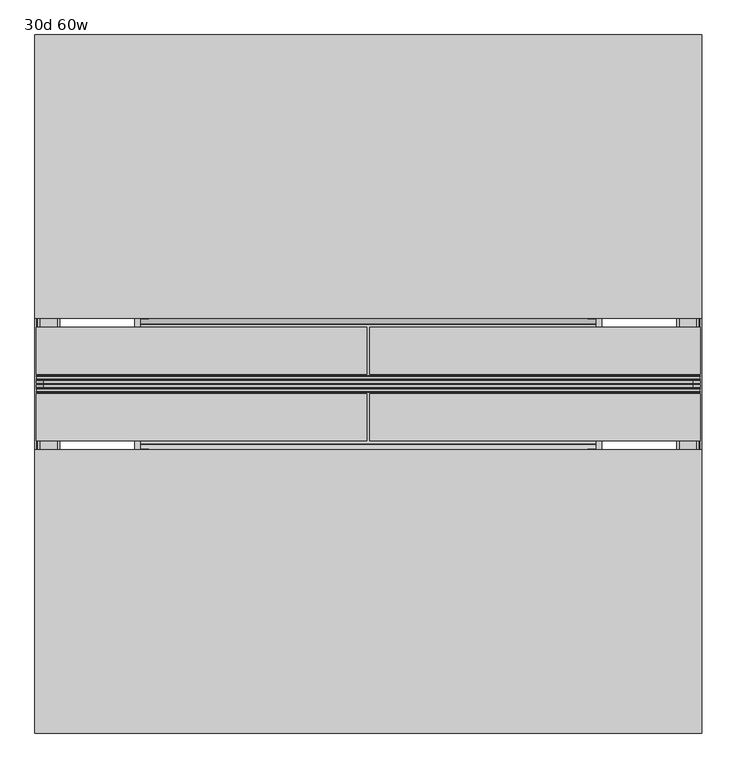
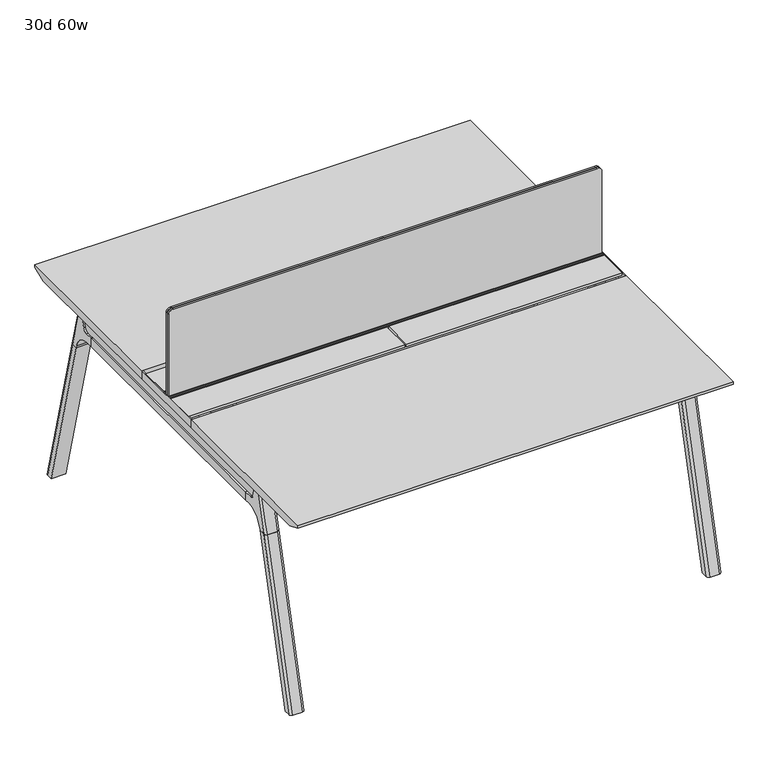
"""IFC4 building model written with IfcOpenShell, lengths in millimetres: furniture geometry, 30d 60w."""

from ifc_helpers import new_model, si_unit, point, frame, frame_2d, origin, place, context, project, spatial, polyline, circle_curve, ellipse_curve, trimmed, segment, composite_curve, outline, extrude, source, transform, mapped, element, save
from ifc_brep_helpers import plane_surface, cylinder_surface, revolved_surface, advanced_brep


def furniture_30d_60w_2d3f256a(model_context):
    return source(origin(), model_context, "Body", "SolidModel", [
        extrude(outline(composite_curve([segment(polyline([(1054.89375, 955.675), (1054.89375, -523.875)]), True, "CONTINUOUS"), segment(trimmed(circle_curve(frame_2d((1039.01875, -523.875)), 15.875), [point((1054.89375, -523.875))], [point((1039.01875, -539.75))], False, "CARTESIAN"), True, "CONTINUOUS"), segment(polyline([(1039.01875, -539.75), (720.725, -539.75), (720.725, 971.55), (1039.01875, 971.55)]), True, "CONTINUOUS"), segment(trimmed(circle_curve(frame_2d((1039.01875, 955.675)), 15.875), [point((1039.01875, 971.55))], [point((1054.89375, 955.675))], False, "CARTESIAN"), True, "CONTINUOUS")], self_intersect=False)), frame((0.0, -201.3409766, 0.0), z_axis=(0.0, 1.0, 0.0), x_axis=(0.0, 0.0, 1.0)), (0.0, 0.0, 1.0), 3.175),
        extrude(outline(composite_curve([segment(polyline([(1058.06875, 958.85), (1058.06875, -527.05)]), True, "CONTINUOUS"), segment(trimmed(circle_curve(frame_2d((1042.19375, -527.05)), 15.875), [point((1058.06875, -527.05))], [point((1042.19375, -542.925))], False, "CARTESIAN"), True, "CONTINUOUS"), segment(polyline([(1042.19375, -542.925), (717.55, -542.925), (717.55, 974.725), (1042.19375, 974.725)]), True, "CONTINUOUS"), segment(trimmed(circle_curve(frame_2d((1042.19375, 958.85)), 15.875), [point((1042.19375, 974.725))], [point((1058.06875, 958.85))], False, "CARTESIAN"), True, "CONTINUOUS")], self_intersect=False)), frame((0.0, -198.1659766, 0.0), z_axis=(0.0, 1.0, 0.0), x_axis=(0.0, 0.0, 1.0)), (0.0, 0.0, 1.0), 5.55625),
        extrude(outline(composite_curve([segment(polyline([(1058.06875, 958.85), (1058.06875, -527.05)]), True, "CONTINUOUS"), segment(trimmed(circle_curve(frame_2d((1042.19375, -527.05)), 15.875), [point((1058.06875, -527.05))], [point((1042.19375, -542.925))], False, "CARTESIAN"), True, "CONTINUOUS"), segment(polyline([(1042.19375, -542.925), (717.55, -542.925), (717.55, 974.725), (1042.19375, 974.725)]), True, "CONTINUOUS"), segment(trimmed(circle_curve(frame_2d((1042.19375, 958.85)), 15.875), [point((1042.19375, 974.725))], [point((1058.06875, 958.85))], False, "CARTESIAN"), True, "CONTINUOUS")], self_intersect=False)), frame((0.0, -206.8972266, 0.0), z_axis=(0.0, 1.0, 0.0), x_axis=(0.0, 0.0, 1.0)), (0.0, 0.0, 1.0), 5.55625),
        extrude(outline(polyline([(-348.9784469, 559.4636683), (-364.040663, 627.7843353), (-35.4662901, 627.7843353), (-50.5285062, 559.4636683), (-46.7502281, 557.2647146), (-46.7502281, 549.3667827), (-62.6252238, 521.8704736), (-336.8817293, 521.8704736), (-352.756725, 549.3667827), (-352.756725, 557.2647146), (-348.9784469, 559.4636683)])), frame((736.6, 0.0, 0.0), z_axis=(1.0, 0.0, 0.0), x_axis=(0.0, 1.0, 0.0)), (0.0, 0.0, 1.0), 12.7),
        extrude(outline(polyline([(-348.9784469, 559.4636683), (-364.040663, 627.7843353), (-35.4662901, 627.7843353), (-50.5285062, 559.4636683), (-46.7502281, 557.2647146), (-46.7502281, 549.3667827), (-62.6252238, 521.8704736), (-336.8817293, 521.8704736), (-352.756725, 549.3667827), (-352.756725, 557.2647146), (-348.9784469, 559.4636683)])), frame((-317.5, 0.0, 0.0), z_axis=(1.0, 0.0, 0.0), x_axis=(0.0, 1.0, 0.0)), (0.0, 0.0, 1.0), 12.7),
        extrude(outline(polyline([(-18.0090763, 698.5), (3.7767266, 698.5), (3.7767266, 697.2935087), (-17.4495292, 697.2935087), (-19.0070753, 695.7359626), (-49.1186716, 559.1528512), (-50.5285062, 559.4636683), (-20.404074, 696.1050023), (-18.0090763, 698.5)])), frame((-317.5, 0.0, 0.0), z_axis=(1.0, 0.0, 0.0), x_axis=(0.0, 1.0, 0.0)), (0.0, 0.0, 1.0), 31.8008024),
        extrude(outline(polyline([(-381.4978768, 698.5), (-379.1028791, 696.1050023), (-348.9784469, 559.4636683), (-350.3882815, 559.1528512), (-380.4998778, 695.7359626), (-382.0574239, 697.2935087), (-403.2836797, 697.2935087), (-403.2836797, 698.5), (-381.4978768, 698.5)])), frame((-317.5, 0.0, 0.0), z_axis=(1.0, 0.0, 0.0), x_axis=(0.0, 1.0, 0.0)), (0.0, 0.0, 1.0), 31.8008024),
        extrude(outline(polyline([(-18.0090763, 698.5), (3.7767266, 698.5), (3.7767266, 697.2935087), (-17.4495292, 697.2935087), (-19.0070753, 695.7359626), (-49.1186716, 559.1528512), (-50.5285062, 559.4636683), (-20.404074, 696.1050023), (-18.0090763, 698.5)])), frame((717.4991976, 0.0, 0.0), z_axis=(1.0, 0.0, 0.0), x_axis=(0.0, 1.0, 0.0)), (0.0, 0.0, 1.0), 31.8008024),
        extrude(outline(polyline([(-381.4978768, 698.5), (-379.1028791, 696.1050023), (-348.9784469, 559.4636683), (-350.3882815, 559.1528512), (-380.4998778, 695.7359626), (-382.0574239, 697.2935087), (-403.2836797, 697.2935087), (-403.2836797, 698.5), (-381.4978768, 698.5)])), frame((717.4991976, 0.0, 0.0), z_axis=(1.0, 0.0, 0.0), x_axis=(0.0, 1.0, 0.0)), (0.0, 0.0, 1.0), 31.8008024),
        extrude(outline(polyline([(-353.550475, 557.5934966), (-351.518477, 559.6254947), (-350.957211, 559.0642287), (-352.756725, 557.2647146), (-352.756725, 549.3667827), (-352.5317745, 548.5272622), (-337.4390802, 522.3859395), (-336.0037101, 521.5572272), (-63.503243, 521.5572272), (-62.0678729, 522.3859395), (-46.9751786, 548.5272622), (-46.7502281, 549.3667827), (-46.7502281, 557.2647146), (-48.5497421, 559.0642287), (-47.9884761, 559.6254947), (-45.9564781, 557.5934966), (-45.9564781, 549.2622828), (-46.2355217, 548.2208856), (-61.4868074, 521.8048744), (-63.2905581, 520.7634772), (-336.216395, 520.7634772), (-338.0201457, 521.8048744), (-353.2714314, 548.2208856), (-353.550475, 549.2622828), (-353.550475, 557.5934966)])), frame((-317.4492037, 0.0, 0.0), z_axis=(1.0, 0.0, 0.0), x_axis=(0.0, 1.0, 0.0)), (0.0, 0.0, 1.0), 1066.7492037),
        extrude(outline(polyline([(-218.8034766, 715.9625), (-218.8034766, 741.3625), (-217.2159766, 741.3625), (-217.2159766, 720.725), (-210.8659766, 720.725), (-210.8659766, 741.3625), (-209.2784766, 741.3625), (-209.2784766, 717.55), (-190.2284766, 717.55), (-190.2284766, 741.3625), (-188.6409766, 741.3625), (-188.6409766, 720.725), (-182.2909766, 720.725), (-182.2909766, 741.3625), (-180.7034766, 741.3625), (-180.7034766, 715.9625), (-218.8034766, 715.9625)])), frame((-542.925, 0.0, 0.0), z_axis=(1.0, 0.0, 0.0), x_axis=(0.0, 1.0, 0.0)), (0.0, 0.0, 1.0), 1517.65),
        extrude(outline(composite_curve([segment(polyline([(328.0902734, 711.2), (319.0321726, 677.3947076)]), True, "CONTINUOUS"), segment(trimmed(circle_curve(frame_2d((303.6981001, 681.5034599)), 15.875), [point((319.0321726, 677.3947076))], [point((303.6981001, 665.6284599))], False, "CARTESIAN"), True, "CONTINUOUS"), segment(polyline([(303.6981001, 665.6284599), (-703.2050533, 665.6284599)]), True, "CONTINUOUS"), segment(trimmed(circle_curve(frame_2d((-703.2050533, 681.5034599)), 15.875), [point((-703.2050533, 665.6284599))], [point((-718.5391258, 677.3947076))], False, "CARTESIAN"), True, "CONTINUOUS"), segment(polyline([(-718.5391258, 677.3947076), (-727.5972266, 711.2), (328.0902734, 711.2)]), True, "CONTINUOUS")], self_intersect=False)), frame((927.1, 0.0, 0.0), z_axis=(1.0, 0.0, 0.0), x_axis=(0.0, 1.0, 0.0)), (0.0, 0.0, 1.0), 38.1),
        extrude(outline(polyline([(971.55, 267.7652734), (971.55, -667.2722266), (920.75, -667.2722266), (920.75, 267.7652734), (971.55, 267.7652734)])), frame((0.0, 0.0, 635.6476591), z_axis=(0.0, 0.0, 1.0), x_axis=(1.0, 0.0, 0.0)), (0.0, 0.0, 1.0), 29.9808008),
        extrude(outline(composite_curve([segment(polyline([(328.0902734, 711.2), (319.0321726, 677.3947076)]), True, "CONTINUOUS"), segment(trimmed(circle_curve(frame_2d((303.6981001, 681.5034599)), 15.875), [point((319.0321726, 677.3947076))], [point((303.6981001, 665.6284599))], False, "CARTESIAN"), True, "CONTINUOUS"), segment(polyline([(303.6981001, 665.6284599), (-703.2050533, 665.6284599)]), True, "CONTINUOUS"), segment(trimmed(circle_curve(frame_2d((-703.2050533, 681.5034599)), 15.875), [point((-703.2050533, 665.6284599))], [point((-718.5391258, 677.3947076))], False, "CARTESIAN"), True, "CONTINUOUS"), segment(polyline([(-718.5391258, 677.3947076), (-727.5972266, 711.2), (328.0902734, 711.2)]), True, "CONTINUOUS")], self_intersect=False)), frame((-533.4, 0.0, 0.0), z_axis=(1.0, 0.0, 0.0), x_axis=(0.0, 1.0, 0.0)), (0.0, 0.0, 1.0), 38.1),
        extrude(outline(polyline([(-488.95, 267.7652734), (-488.95, -667.2722266), (-539.75, -667.2722266), (-539.75, 267.7652734), (-488.95, 267.7652734)])), frame((0.0, 0.0, 635.6476591), z_axis=(0.0, 0.0, 1.0), x_axis=(1.0, 0.0, 0.0)), (0.0, 0.0, 1.0), 29.9808008),
        advanced_brep(
        [(920.75, -721.2935553, 711.2), (920.75, -712.2354545, 677.3947076), (920.75, -696.901382, 665.6284599), (920.75, -667.2722266, 665.6284599), (920.75, -667.2722266, 635.6476591), (920.75, -690.1434588, 635.6476591), (920.75, -754.5465633, 586.2294189), (920.75, -757.1047754, 576.6820411), (920.75, -778.2087453, 576.6820411), (920.75, -742.7601017, 711.2), (971.55, -757.1047754, 576.6820411), (971.55, -754.5465633, 586.2294189), (971.55, -690.1434588, 635.6476591), (971.55, -667.2722266, 635.6476591), (971.55, -667.2722266, 665.6284599), (971.55, -696.901382, 665.6284599), (971.55, -712.2354545, 677.3947076), (971.55, -721.2935553, 711.2), (971.55, -742.7601017, 711.2), (971.55, -778.2087453, 576.6820411), (927.0138162, -752.0149462, 711.2), (965.2861838, -752.0149462, 711.2), (962.025, -788.0589247, 576.6820411), (930.275, -788.0589247, 576.6820411)],
        [
            (0, 1),
            (1, 2, circle_curve(frame((920.75, -696.901382, 681.5034599), z_axis=(1.0, 0.0, 0.0), x_axis=(0.0, -1.0, 0.0)), 15.875)),
            (2, 3),
            (3, 4),
            (4, 5),
            (5, 6, circle_curve(frame((920.75, -690.1434588, 568.9726591), z_axis=(1.0, 0.0, 0.0), x_axis=(0.0, -1.0, 0.0)), 66.675)),
            (6, 7),
            (7, 8),
            (8, 9),
            (9, 0),
            (10, 11),
            (11, 12, circle_curve(frame((971.55, -690.1434588, 568.9726591), z_axis=(-1.0, 0.0, 0.0), x_axis=(0.0, -1.0, 0.0)), 66.675)),
            (12, 13),
            (13, 14),
            (14, 15),
            (15, 16, circle_curve(frame((971.55, -696.901382, 681.5034599), z_axis=(-1.0, 0.0, 0.0), x_axis=(0.0, -1.0, 0.0)), 15.875)),
            (16, 17),
            (17, 18),
            (18, 19),
            (19, 10),
            (17, 0),
            (9, 20, ellipse_curve(frame((930.275, -742.7601017, 711.2), z_axis=(0.0, 0.0, 1.0), x_axis=(0.0, -1.0, 0.0)), 9.8501793, 9.525)),
            (20, 21),
            (21, 18, ellipse_curve(frame((962.025, -742.7601017, 711.2), z_axis=(0.0, 0.0, 1.0), x_axis=(0.0, -1.0, 0.0)), 9.8501793, 9.525)),
            (16, 1),
            (15, 2),
            (14, 3),
            (13, 4),
            (12, 5),
            (11, 6),
            (10, 7),
            (19, 22, ellipse_curve(frame((962.025, -778.2087453, 576.6820411), z_axis=(0.0, 0.0, -1.0), x_axis=(0.0, -1.0, 0.0)), 9.8501793, 9.525)),
            (22, 23),
            (23, 8, ellipse_curve(frame((930.275, -778.2087453, 576.6820411), z_axis=(0.0, 0.0, -1.0), x_axis=(0.0, -1.0, 0.0)), 9.8501793, 9.525)),
            (20, 23, ellipse_curve(frame((930.275, -191.6892106, 2802.3641142), z_axis=(0.0, -0.9659258262890684, 0.2588190451025206), x_axis=(0.0, -0.2588190451025206, -0.9659258262890684)), 2304.1956354, 9.525)),
            (22, 21, ellipse_curve(frame((962.025, -191.6892106, 2802.3641142), z_axis=(0.0, -0.9659258262890684, 0.2588190451025206), x_axis=(0.0, -0.2588190451025206, -0.9659258262890684)), 2304.1956354, 9.525)),
        ],
        [
            plane_surface(frame((920.75, -752.0149462, 711.2), z_axis=(-1.0, 0.0, 0.0), x_axis=(0.0, 1.0, 0.0))),
            plane_surface(frame((971.55, -752.0149462, 711.2), z_axis=(1.0, 0.0, 0.0), x_axis=(0.0, -1.0, 0.0))),
            plane_surface(frame((920.75, -752.0149462, 711.2), z_axis=(0.0, 0.0, 1.0), x_axis=(1.0, 0.0, 0.0))),
            plane_surface(frame((920.75, -721.2935553, 711.2), z_axis=(0.0, 0.9659258262890683, 0.2588190451025207), x_axis=(1.0, 0.0, 0.0))),
            revolved_surface(polyline([(971.55, -712.776382, 681.5034599), (920.75, -712.776382, 681.5034599)]), (971.55, -696.901382, 681.5034599), (1.0, 0.0, 0.0)),
            plane_surface(frame((920.75, -696.901382, 665.6284599), z_axis=(0.0, 0.0, 1.0), x_axis=(1.0, 0.0, 0.0))),
            plane_surface(frame((920.75, -667.2722266, 665.6284599), z_axis=(0.0, 1.0, 0.0), x_axis=(1.0, 0.0, 0.0))),
            plane_surface(frame((920.75, -667.2722266, 635.6476591), z_axis=(0.0, 0.0, -1.0), x_axis=(1.0, 0.0, 0.0))),
            revolved_surface(polyline([(971.55, -756.8184587999999, 568.9726591), (920.75, -756.8184587999999, 568.9726591)]), (971.55, -690.1434588, 568.9726591), (1.0, 0.0, 0.0)),
            plane_surface(frame((920.75, -754.5465633, 586.2294189), z_axis=(0.0, 0.9659258262890693, -0.25881904510251696), x_axis=(1.0, 0.0, 0.0))),
            plane_surface(frame((920.75, -757.1047754, 576.6820411), z_axis=(0.0, 0.0, -1.0), x_axis=(1.0, 0.0, 0.0))),
            plane_surface(frame((920.75, -788.0589247, 576.6820411), z_axis=(0.0, -0.9659258262890684, 0.2588190451025206), x_axis=(1.0, 0.0, 0.0))),
            cylinder_surface(frame((930.275, -930.8176402, -2.4271979), z_axis=(0.0, -0.25482392474081483, -0.966987470125486), x_axis=(1.0, 0.0, 0.0)), 9.525),
            cylinder_surface(frame((962.025, -930.8176402, -2.4271979), z_axis=(0.0, -0.25482392474081483, -0.966987470125486), x_axis=(1.0, 0.0, 0.0)), 9.525),
        ],
        [
            (0, [[1, 2, 3, 4, 5, 6, 7, 8, 9, 10]]),
            (1, [[11, 12, 13, 14, 15, 16, 17, 18, 19, 20]]),
            (2, [[21, -10, 22, 23, 24, -18]]),
            (3, [[-1, -21, -17, 25]]),
            (4, [[-2, -25, -16, 26]]),
            (5, [[-3, -26, -15, 27]]),
            (6, [[-4, -27, -14, 28]]),
            (7, [[-5, -28, -13, 29]]),
            (8, [[-6, -29, -12, 30]]),
            (9, [[-7, -30, -11, 31]]),
            (10, [[-31, -20, 32, 33, 34, -8]]),
            (11, [[-23, 35, -33, 36]]),
            (12, [[-9, -34, -35, -22]]),
            (13, [[-19, -24, -36, -32]]),
        ],
    ),
        advanced_brep(
        [(920.75, -757.1047754, 576.6820411), (920.75, -909.0740466, 0.0), (920.75, -930.1780165, 0.0), (920.75, -778.2087453, 576.6820411), (971.55, -909.0740466, 0.0), (971.55, -757.1047754, 576.6820411), (971.55, -778.2087453, 576.6820411), (971.55, -930.1780165, 0.0), (930.275, -788.0589247, 576.6820411), (962.025, -788.0589247, 576.6820411), (962.025, -940.0281958, 0.0), (930.275, -940.0281958, 0.0)],
        [
            (0, 1),
            (1, 2),
            (2, 3),
            (3, 0),
            (4, 5),
            (5, 6),
            (6, 7),
            (7, 4),
            (5, 0),
            (3, 8, ellipse_curve(frame((930.275, -778.2087453, 576.6820411), z_axis=(0.0, 0.0, 1.0), x_axis=(0.0, -1.0, 0.0)), 9.8501793, 9.525)),
            (8, 9),
            (9, 6, ellipse_curve(frame((962.025, -778.2087453, 576.6820411), z_axis=(0.0, 0.0, 1.0), x_axis=(0.0, -1.0, 0.0)), 9.8501793, 9.525)),
            (4, 1),
            (7, 10, ellipse_curve(frame((962.025, -930.1780165, 0.0), z_axis=(0.0, 0.0, -1.0), x_axis=(0.0, -1.0, 0.0)), 9.8501793, 9.525)),
            (10, 11),
            (11, 2, ellipse_curve(frame((930.275, -930.1780165, 0.0), z_axis=(0.0, 0.0, -1.0), x_axis=(0.0, -1.0, 0.0)), 9.8501793, 9.525)),
            (8, 11),
            (10, 9),
        ],
        [
            plane_surface(frame((920.75, -788.0589247, 576.6820411), z_axis=(-1.0, 0.0, 0.0), x_axis=(0.0, 1.0, 0.0))),
            plane_surface(frame((971.55, -788.0589247, 576.6820411), z_axis=(1.0, 0.0, 0.0), x_axis=(0.0, -1.0, 0.0))),
            plane_surface(frame((920.75, -788.0589247, 576.6820411), z_axis=(0.0, 0.0, 1.0), x_axis=(1.0, 0.0, 0.0))),
            plane_surface(frame((920.75, -757.1047754, 576.6820411), z_axis=(0.0, 0.9669874701254844, -0.2548239247408208), x_axis=(1.0, 0.0, 0.0))),
            plane_surface(frame((920.75, -909.0740466, 0.0), z_axis=(0.0, 0.0, -1.0), x_axis=(1.0, 0.0, 0.0))),
            plane_surface(frame((920.75, -940.0281958, 0.0), z_axis=(0.0, -0.9669874701254855, 0.2548239247408166), x_axis=(1.0, 0.0, 0.0))),
            cylinder_surface(frame((930.275, -930.8176402, -2.4271979), z_axis=(0.0, -0.25482392474081483, -0.966987470125486), x_axis=(1.0, 0.0, 0.0)), 9.525),
            cylinder_surface(frame((962.025, -930.8176402, -2.4271979), z_axis=(0.0, -0.25482392474081483, -0.966987470125486), x_axis=(1.0, 0.0, 0.0)), 9.525),
        ],
        [
            (0, [[1, 2, 3, 4]]),
            (1, [[5, 6, 7, 8]]),
            (2, [[9, -4, 10, 11, 12, -6]]),
            (3, [[-1, -9, -5, 13]]),
            (4, [[-13, -8, 14, 15, 16, -2]]),
            (5, [[-11, 17, -15, 18]]),
            (6, [[-3, -16, -17, -10]]),
            (7, [[-7, -12, -18, -14]]),
        ],
    ),
        advanced_brep(
        [(971.55, 321.7866022, 711.2), (971.55, 312.7285014, 677.3947076), (971.55, 297.3944289, 665.6284599), (971.55, 267.7652734, 665.6284599), (971.55, 267.7652734, 635.6476591), (971.55, 290.6365057, 635.6476591), (971.55, 355.0396101, 586.2294189), (971.55, 357.5978223, 576.6820411), (971.55, 378.7017922, 576.6820411), (971.55, 343.2531486, 711.2), (920.75, 357.5978223, 576.6820411), (920.75, 355.0396101, 586.2294189), (920.75, 290.6365057, 635.6476591), (920.75, 267.7652734, 635.6476591), (920.75, 267.7652734, 665.6284599), (920.75, 297.3944289, 665.6284599), (920.75, 312.7285014, 677.3947076), (920.75, 321.7866022, 711.2), (920.75, 343.2531486, 711.2), (920.75, 378.7017922, 576.6820411), (965.2861838, 352.5079931, 711.2), (927.0138162, 352.5079931, 711.2), (930.275, 388.5519716, 576.6820411), (962.025, 388.5519716, 576.6820411)],
        [
            (0, 1),
            (1, 2, circle_curve(frame((971.55, 297.3944289, 681.5034599), z_axis=(-1.0, 0.0, 0.0), x_axis=(0.0, 1.0, 0.0)), 15.875)),
            (2, 3),
            (3, 4),
            (4, 5),
            (5, 6, circle_curve(frame((971.55, 290.6365057, 568.9726591), z_axis=(-1.0, 0.0, 0.0), x_axis=(0.0, 1.0, 0.0)), 66.675)),
            (6, 7),
            (7, 8),
            (8, 9),
            (9, 0),
            (10, 11),
            (11, 12, circle_curve(frame((920.75, 290.6365057, 568.9726591), z_axis=(1.0, 0.0, 0.0), x_axis=(0.0, 1.0, 0.0)), 66.675)),
            (12, 13),
            (13, 14),
            (14, 15),
            (15, 16, circle_curve(frame((920.75, 297.3944289, 681.5034599), z_axis=(1.0, 0.0, 0.0), x_axis=(0.0, 1.0, 0.0)), 15.875)),
            (16, 17),
            (17, 18),
            (18, 19),
            (19, 10),
            (17, 0),
            (9, 20, ellipse_curve(frame((962.025, 343.2531486, 711.2), z_axis=(0.0, 0.0, 1.0), x_axis=(0.0, 1.0, 0.0)), 9.8501793, 9.525)),
            (20, 21),
            (21, 18, ellipse_curve(frame((930.275, 343.2531486, 711.2), z_axis=(0.0, 0.0, 1.0), x_axis=(0.0, 1.0, 0.0)), 9.8501793, 9.525)),
            (16, 1),
            (15, 2),
            (14, 3),
            (13, 4),
            (12, 5),
            (11, 6),
            (10, 7),
            (19, 22, ellipse_curve(frame((930.275, 378.7017922, 576.6820411), z_axis=(0.0, 0.0, -1.0), x_axis=(0.0, 1.0, 0.0)), 9.8501793, 9.525)),
            (22, 23),
            (23, 8, ellipse_curve(frame((962.025, 378.7017922, 576.6820411), z_axis=(0.0, 0.0, -1.0), x_axis=(0.0, 1.0, 0.0)), 9.8501793, 9.525)),
            (20, 23, ellipse_curve(frame((962.025, -207.8177425, 2802.3641142), z_axis=(0.0, 0.9659258262890684, 0.2588190451025206), x_axis=(0.0, 0.2588190451025206, -0.9659258262890684)), 2304.1956354, 9.525)),
            (22, 21, ellipse_curve(frame((930.275, -207.8177425, 2802.3641142), z_axis=(0.0, 0.9659258262890684, 0.2588190451025206), x_axis=(0.0, 0.2588190451025206, -0.9659258262890684)), 2304.1956354, 9.525)),
        ],
        [
            plane_surface(frame((971.55, 352.5079931, 711.2), z_axis=(1.0, 0.0, 0.0), x_axis=(0.0, -1.0, 0.0))),
            plane_surface(frame((920.75, 352.5079931, 711.2), z_axis=(-1.0, 0.0, 0.0), x_axis=(0.0, 1.0, 0.0))),
            plane_surface(frame((971.55, 352.5079931, 711.2), z_axis=(0.0, 0.0, 1.0), x_axis=(-1.0, 0.0, 0.0))),
            plane_surface(frame((971.55, 321.7866022, 711.2), z_axis=(0.0, -0.9659258262890683, 0.2588190451025207), x_axis=(-1.0, 0.0, 0.0))),
            revolved_surface(polyline([(920.75, 313.2694289, 681.5034599), (971.55, 313.2694289, 681.5034599)]), (920.75, 297.3944289, 681.5034599), (-1.0, 0.0, 0.0)),
            plane_surface(frame((971.55, 297.3944289, 665.6284599), z_axis=(0.0, 0.0, 1.0), x_axis=(-1.0, 0.0, 0.0))),
            plane_surface(frame((971.55, 267.7652734, 665.6284599), z_axis=(0.0, -1.0, 0.0), x_axis=(-1.0, 0.0, 0.0))),
            plane_surface(frame((971.55, 267.7652734, 635.6476591), z_axis=(0.0, 0.0, -1.0), x_axis=(-1.0, 0.0, 0.0))),
            revolved_surface(polyline([(920.75, 357.3115057, 568.9726591), (971.55, 357.3115057, 568.9726591)]), (920.75, 290.6365057, 568.9726591), (-1.0, 0.0, 0.0)),
            plane_surface(frame((971.55, 355.0396101, 586.2294189), z_axis=(0.0, -0.9659258262890693, -0.25881904510251696), x_axis=(-1.0, 0.0, 0.0))),
            plane_surface(frame((971.55, 357.5978223, 576.6820411), z_axis=(0.0, 0.0, -1.0), x_axis=(-1.0, 0.0, 0.0))),
            plane_surface(frame((971.55, 388.5519716, 576.6820411), z_axis=(0.0, 0.9659258262890684, 0.2588190451025206), x_axis=(-1.0, 0.0, 0.0))),
            cylinder_surface(frame((962.025, 531.3106871, -2.4271979), z_axis=(0.0, 0.25482392474081483, -0.966987470125486), x_axis=(-1.0, 0.0, 0.0)), 9.525),
            cylinder_surface(frame((930.275, 531.3106871, -2.4271979), z_axis=(0.0, 0.25482392474081483, -0.966987470125486), x_axis=(-1.0, 0.0, 0.0)), 9.525),
        ],
        [
            (0, [[1, 2, 3, 4, 5, 6, 7, 8, 9, 10]]),
            (1, [[11, 12, 13, 14, 15, 16, 17, 18, 19, 20]]),
            (2, [[21, -10, 22, 23, 24, -18]]),
            (3, [[-1, -21, -17, 25]]),
            (4, [[-2, -25, -16, 26]]),
            (5, [[-3, -26, -15, 27]]),
            (6, [[-4, -27, -14, 28]]),
            (7, [[-5, -28, -13, 29]]),
            (8, [[-6, -29, -12, 30]]),
            (9, [[-7, -30, -11, 31]]),
            (10, [[-31, -20, 32, 33, 34, -8]]),
            (11, [[-23, 35, -33, 36]]),
            (12, [[-9, -34, -35, -22]]),
            (13, [[-19, -24, -36, -32]]),
        ],
    ),
        advanced_brep(
        [(971.55, 357.5978223, 576.6820411), (971.55, 509.5670935, 0.0), (971.55, 530.6710634, 0.0), (971.55, 378.7017922, 576.6820411), (920.75, 509.5670935, 0.0), (920.75, 357.5978223, 576.6820411), (920.75, 378.7017922, 576.6820411), (920.75, 530.6710634, 0.0), (962.025, 388.5519716, 576.6820411), (930.275, 388.5519716, 576.6820411), (930.275, 540.5212427, 0.0), (962.025, 540.5212427, 0.0)],
        [
            (0, 1),
            (1, 2),
            (2, 3),
            (3, 0),
            (4, 5),
            (5, 6),
            (6, 7),
            (7, 4),
            (5, 0),
            (3, 8, ellipse_curve(frame((962.025, 378.7017922, 576.6820411), z_axis=(0.0, 0.0, 1.0), x_axis=(0.0, 1.0, 0.0)), 9.8501793, 9.525)),
            (8, 9),
            (9, 6, ellipse_curve(frame((930.275, 378.7017922, 576.6820411), z_axis=(0.0, 0.0, 1.0), x_axis=(0.0, 1.0, 0.0)), 9.8501793, 9.525)),
            (4, 1),
            (7, 10, ellipse_curve(frame((930.275, 530.6710634, 0.0), z_axis=(0.0, 0.0, -1.0), x_axis=(0.0, 1.0, 0.0)), 9.8501793, 9.525)),
            (10, 11),
            (11, 2, ellipse_curve(frame((962.025, 530.6710634, 0.0), z_axis=(0.0, 0.0, -1.0), x_axis=(0.0, 1.0, 0.0)), 9.8501793, 9.525)),
            (8, 11),
            (10, 9),
        ],
        [
            plane_surface(frame((971.55, 388.5519716, 576.6820411), z_axis=(1.0, 0.0, 0.0), x_axis=(0.0, -1.0, 0.0))),
            plane_surface(frame((920.75, 388.5519716, 576.6820411), z_axis=(-1.0, 0.0, 0.0), x_axis=(0.0, 1.0, 0.0))),
            plane_surface(frame((971.55, 388.5519716, 576.6820411), z_axis=(0.0, 0.0, 1.0), x_axis=(-1.0, 0.0, 0.0))),
            plane_surface(frame((971.55, 357.5978223, 576.6820411), z_axis=(0.0, -0.9669874701254844, -0.2548239247408208), x_axis=(-1.0, 0.0, 0.0))),
            plane_surface(frame((971.55, 509.5670935, 0.0), z_axis=(0.0, 0.0, -1.0), x_axis=(-1.0, 0.0, 0.0))),
            plane_surface(frame((971.55, 540.5212427, 0.0), z_axis=(0.0, 0.9669874701254855, 0.2548239247408166), x_axis=(-1.0, 0.0, 0.0))),
            cylinder_surface(frame((962.025, 531.3106871, -2.4271979), z_axis=(0.0, 0.25482392474081483, -0.966987470125486), x_axis=(-1.0, 0.0, 0.0)), 9.525),
            cylinder_surface(frame((930.275, 531.3106871, -2.4271979), z_axis=(0.0, 0.25482392474081483, -0.966987470125486), x_axis=(-1.0, 0.0, 0.0)), 9.525),
        ],
        [
            (0, [[1, 2, 3, 4]]),
            (1, [[5, 6, 7, 8]]),
            (2, [[9, -4, 10, 11, 12, -6]]),
            (3, [[-1, -9, -5, 13]]),
            (4, [[-13, -8, 14, 15, 16, -2]]),
            (5, [[-11, 17, -15, 18]]),
            (6, [[-3, -16, -17, -10]]),
            (7, [[-7, -12, -18, -14]]),
        ],
    ),
        advanced_brep(
        [(-488.95, 321.7866022, 711.2), (-488.95, 312.7285014, 677.3947076), (-488.95, 297.3944289, 665.6284599), (-488.95, 267.7652734, 665.6284599), (-488.95, 267.7652734, 635.6476591), (-488.95, 290.6365057, 635.6476591), (-488.95, 355.0396101, 586.2294189), (-488.95, 357.5978223, 576.6820411), (-488.95, 378.7017922, 576.6820411), (-488.95, 343.2531486, 711.2), (-539.75, 357.5978223, 576.6820411), (-539.75, 355.0396101, 586.2294189), (-539.75, 290.6365057, 635.6476591), (-539.75, 267.7652734, 635.6476591), (-539.75, 267.7652734, 665.6284599), (-539.75, 297.3944289, 665.6284599), (-539.75, 312.7285014, 677.3947076), (-539.75, 321.7866022, 711.2), (-539.75, 343.2531486, 711.2), (-539.75, 378.7017922, 576.6820411), (-495.2138162, 352.5079931, 711.2), (-533.4861838, 352.5079931, 711.2), (-530.225, 388.5519716, 576.6820411), (-498.475, 388.5519716, 576.6820411)],
        [
            (0, 1),
            (1, 2, circle_curve(frame((-488.95, 297.3944289, 681.5034599), z_axis=(-1.0, 0.0, 0.0), x_axis=(0.0, 1.0, 0.0)), 15.875)),
            (2, 3),
            (3, 4),
            (4, 5),
            (5, 6, circle_curve(frame((-488.95, 290.6365057, 568.9726591), z_axis=(-1.0, 0.0, 0.0), x_axis=(0.0, 1.0, 0.0)), 66.675)),
            (6, 7),
            (7, 8),
            (8, 9),
            (9, 0),
            (10, 11),
            (11, 12, circle_curve(frame((-539.75, 290.6365057, 568.9726591), z_axis=(1.0, 0.0, 0.0), x_axis=(0.0, 1.0, 0.0)), 66.675)),
            (12, 13),
            (13, 14),
            (14, 15),
            (15, 16, circle_curve(frame((-539.75, 297.3944289, 681.5034599), z_axis=(1.0, 0.0, 0.0), x_axis=(0.0, 1.0, 0.0)), 15.875)),
            (16, 17),
            (17, 18),
            (18, 19),
            (19, 10),
            (17, 0),
            (9, 20, ellipse_curve(frame((-498.475, 343.2531486, 711.2), z_axis=(0.0, 0.0, 1.0), x_axis=(0.0, 1.0, 0.0)), 9.8501793, 9.525)),
            (20, 21),
            (21, 18, ellipse_curve(frame((-530.225, 343.2531486, 711.2), z_axis=(0.0, 0.0, 1.0), x_axis=(0.0, 1.0, 0.0)), 9.8501793, 9.525)),
            (16, 1),
            (15, 2),
            (14, 3),
            (13, 4),
            (12, 5),
            (11, 6),
            (10, 7),
            (19, 22, ellipse_curve(frame((-530.225, 378.7017922, 576.6820411), z_axis=(0.0, 0.0, -1.0), x_axis=(0.0, 1.0, 0.0)), 9.8501793, 9.525)),
            (22, 23),
            (23, 8, ellipse_curve(frame((-498.475, 378.7017922, 576.6820411), z_axis=(0.0, 0.0, -1.0), x_axis=(0.0, 1.0, 0.0)), 9.8501793, 9.525)),
            (20, 23, ellipse_curve(frame((-498.475, -207.8177425, 2802.3641142), z_axis=(0.0, 0.9659258262890684, 0.2588190451025206), x_axis=(0.0, 0.2588190451025206, -0.9659258262890684)), 2304.1956354, 9.525)),
            (22, 21, ellipse_curve(frame((-530.225, -207.8177425, 2802.3641142), z_axis=(0.0, 0.9659258262890684, 0.2588190451025206), x_axis=(0.0, 0.2588190451025206, -0.9659258262890684)), 2304.1956354, 9.525)),
        ],
        [
            plane_surface(frame((-488.95, 352.5079931, 711.2), z_axis=(1.0, 0.0, 0.0), x_axis=(0.0, -1.0, 0.0))),
            plane_surface(frame((-539.75, 352.5079931, 711.2), z_axis=(-1.0, 0.0, 0.0), x_axis=(0.0, 1.0, 0.0))),
            plane_surface(frame((-488.95, 352.5079931, 711.2), z_axis=(0.0, 0.0, 1.0), x_axis=(-1.0, 0.0, 0.0))),
            plane_surface(frame((-488.95, 321.7866022, 711.2), z_axis=(0.0, -0.9659258262890683, 0.2588190451025207), x_axis=(-1.0, 0.0, 0.0))),
            revolved_surface(polyline([(-539.75, 313.2694289, 681.5034599), (-488.95, 313.2694289, 681.5034599)]), (-539.75, 297.3944289, 681.5034599), (-1.0, 0.0, 0.0)),
            plane_surface(frame((-488.95, 297.3944289, 665.6284599), z_axis=(0.0, 0.0, 1.0), x_axis=(-1.0, 0.0, 0.0))),
            plane_surface(frame((-488.95, 267.7652734, 665.6284599), z_axis=(0.0, -1.0, 0.0), x_axis=(-1.0, 0.0, 0.0))),
            plane_surface(frame((-488.95, 267.7652734, 635.6476591), z_axis=(0.0, 0.0, -1.0), x_axis=(-1.0, 0.0, 0.0))),
            revolved_surface(polyline([(-539.75, 357.3115057, 568.9726591), (-488.95, 357.3115057, 568.9726591)]), (-539.75, 290.6365057, 568.9726591), (-1.0, 0.0, 0.0)),
            plane_surface(frame((-488.95, 355.0396101, 586.2294189), z_axis=(0.0, -0.9659258262890693, -0.25881904510251696), x_axis=(-1.0, 0.0, 0.0))),
            plane_surface(frame((-488.95, 357.5978223, 576.6820411), z_axis=(0.0, 0.0, -1.0), x_axis=(-1.0, 0.0, 0.0))),
            plane_surface(frame((-488.95, 388.5519716, 576.6820411), z_axis=(0.0, 0.9659258262890684, 0.2588190451025206), x_axis=(-1.0, 0.0, 0.0))),
            cylinder_surface(frame((-498.475, 531.3106871, -2.4271979), z_axis=(0.0, 0.25482392474081483, -0.966987470125486), x_axis=(-1.0, 0.0, 0.0)), 9.525),
            cylinder_surface(frame((-530.225, 531.3106871, -2.4271979), z_axis=(0.0, 0.25482392474081483, -0.966987470125486), x_axis=(-1.0, 0.0, 0.0)), 9.525),
        ],
        [
            (0, [[1, 2, 3, 4, 5, 6, 7, 8, 9, 10]]),
            (1, [[11, 12, 13, 14, 15, 16, 17, 18, 19, 20]]),
            (2, [[21, -10, 22, 23, 24, -18]]),
            (3, [[-1, -21, -17, 25]]),
            (4, [[-2, -25, -16, 26]]),
            (5, [[-3, -26, -15, 27]]),
            (6, [[-4, -27, -14, 28]]),
            (7, [[-5, -28, -13, 29]]),
            (8, [[-6, -29, -12, 30]]),
            (9, [[-7, -30, -11, 31]]),
            (10, [[-31, -20, 32, 33, 34, -8]]),
            (11, [[-23, 35, -33, 36]]),
            (12, [[-9, -34, -35, -22]]),
            (13, [[-19, -24, -36, -32]]),
        ],
    ),
        advanced_brep(
        [(-488.95, 357.5978223, 576.6820411), (-488.95, 509.5670935, 0.0), (-488.95, 530.6710634, 0.0), (-488.95, 378.7017922, 576.6820411), (-539.75, 509.5670935, 0.0), (-539.75, 357.5978223, 576.6820411), (-539.75, 378.7017922, 576.6820411), (-539.75, 530.6710634, 0.0), (-498.475, 388.5519716, 576.6820411), (-530.225, 388.5519716, 576.6820411), (-530.225, 540.5212427, 0.0), (-498.475, 540.5212427, 0.0)],
        [
            (0, 1),
            (1, 2),
            (2, 3),
            (3, 0),
            (4, 5),
            (5, 6),
            (6, 7),
            (7, 4),
            (5, 0),
            (3, 8, ellipse_curve(frame((-498.475, 378.7017922, 576.6820411), z_axis=(0.0, 0.0, 1.0), x_axis=(0.0, 1.0, 0.0)), 9.8501793, 9.525)),
            (8, 9),
            (9, 6, ellipse_curve(frame((-530.225, 378.7017922, 576.6820411), z_axis=(0.0, 0.0, 1.0), x_axis=(0.0, 1.0, 0.0)), 9.8501793, 9.525)),
            (4, 1),
            (7, 10, ellipse_curve(frame((-530.225, 530.6710634, 0.0), z_axis=(0.0, 0.0, -1.0), x_axis=(0.0, 1.0, 0.0)), 9.8501793, 9.525)),
            (10, 11),
            (11, 2, ellipse_curve(frame((-498.475, 530.6710634, 0.0), z_axis=(0.0, 0.0, -1.0), x_axis=(0.0, 1.0, 0.0)), 9.8501793, 9.525)),
            (8, 11),
            (10, 9),
        ],
        [
            plane_surface(frame((-488.95, 388.5519716, 576.6820411), z_axis=(1.0, 0.0, 0.0), x_axis=(0.0, -1.0, 0.0))),
            plane_surface(frame((-539.75, 388.5519716, 576.6820411), z_axis=(-1.0, 0.0, 0.0), x_axis=(0.0, 1.0, 0.0))),
            plane_surface(frame((-488.95, 388.5519716, 576.6820411), z_axis=(0.0, 0.0, 1.0), x_axis=(-1.0, 0.0, 0.0))),
            plane_surface(frame((-488.95, 357.5978223, 576.6820411), z_axis=(0.0, -0.9669874701254844, -0.2548239247408208), x_axis=(-1.0, 0.0, 0.0))),
            plane_surface(frame((-488.95, 509.5670935, 0.0), z_axis=(0.0, 0.0, -1.0), x_axis=(-1.0, 0.0, 0.0))),
            plane_surface(frame((-488.95, 540.5212427, 0.0), z_axis=(0.0, 0.9669874701254855, 0.2548239247408166), x_axis=(-1.0, 0.0, 0.0))),
            cylinder_surface(frame((-498.475, 531.3106871, -2.4271979), z_axis=(0.0, 0.25482392474081483, -0.966987470125486), x_axis=(-1.0, 0.0, 0.0)), 9.525),
            cylinder_surface(frame((-530.225, 531.3106871, -2.4271979), z_axis=(0.0, 0.25482392474081483, -0.966987470125486), x_axis=(-1.0, 0.0, 0.0)), 9.525),
        ],
        [
            (0, [[1, 2, 3, 4]]),
            (1, [[5, 6, 7, 8]]),
            (2, [[9, -4, 10, 11, 12, -6]]),
            (3, [[-1, -9, -5, 13]]),
            (4, [[-13, -8, 14, 15, 16, -2]]),
            (5, [[-11, 17, -15, 18]]),
            (6, [[-3, -16, -17, -10]]),
            (7, [[-7, -12, -18, -14]]),
        ],
    ),
        advanced_brep(
        [(-539.75, -721.2935553, 711.2), (-539.75, -712.2354545, 677.3947076), (-539.75, -696.901382, 665.6284599), (-539.75, -667.2722266, 665.6284599), (-539.75, -667.2722266, 635.6476591), (-539.75, -690.1434588, 635.6476591), (-539.75, -754.5465633, 586.2294189), (-539.75, -757.1047754, 576.6820411), (-539.75, -778.2087453, 576.6820411), (-539.75, -742.7601017, 711.2), (-488.95, -757.1047754, 576.6820411), (-488.95, -754.5465633, 586.2294189), (-488.95, -690.1434588, 635.6476591), (-488.95, -667.2722266, 635.6476591), (-488.95, -667.2722266, 665.6284599), (-488.95, -696.901382, 665.6284599), (-488.95, -712.2354545, 677.3947076), (-488.95, -721.2935553, 711.2), (-488.95, -742.7601017, 711.2), (-488.95, -778.2087453, 576.6820411), (-533.4861838, -752.0149462, 711.2), (-495.2138162, -752.0149462, 711.2), (-498.475, -788.0589247, 576.6820411), (-530.225, -788.0589247, 576.6820411)],
        [
            (0, 1),
            (1, 2, circle_curve(frame((-539.75, -696.901382, 681.5034599), z_axis=(1.0, 0.0, 0.0), x_axis=(0.0, -1.0, 0.0)), 15.875)),
            (2, 3),
            (3, 4),
            (4, 5),
            (5, 6, circle_curve(frame((-539.75, -690.1434588, 568.9726591), z_axis=(1.0, 0.0, 0.0), x_axis=(0.0, -1.0, 0.0)), 66.675)),
            (6, 7),
            (7, 8),
            (8, 9),
            (9, 0),
            (10, 11),
            (11, 12, circle_curve(frame((-488.95, -690.1434588, 568.9726591), z_axis=(-1.0, 0.0, 0.0), x_axis=(0.0, -1.0, 0.0)), 66.675)),
            (12, 13),
            (13, 14),
            (14, 15),
            (15, 16, circle_curve(frame((-488.95, -696.901382, 681.5034599), z_axis=(-1.0, 0.0, 0.0), x_axis=(0.0, -1.0, 0.0)), 15.875)),
            (16, 17),
            (17, 18),
            (18, 19),
            (19, 10),
            (17, 0),
            (9, 20, ellipse_curve(frame((-530.225, -742.7601017, 711.2), z_axis=(0.0, 0.0, 1.0), x_axis=(0.0, -1.0, 0.0)), 9.8501793, 9.525)),
            (20, 21),
            (21, 18, ellipse_curve(frame((-498.475, -742.7601017, 711.2), z_axis=(0.0, 0.0, 1.0), x_axis=(0.0, -1.0, 0.0)), 9.8501793, 9.525)),
            (16, 1),
            (15, 2),
            (14, 3),
            (13, 4),
            (12, 5),
            (11, 6),
            (10, 7),
            (19, 22, ellipse_curve(frame((-498.475, -778.2087453, 576.6820411), z_axis=(0.0, 0.0, -1.0), x_axis=(0.0, -1.0, 0.0)), 9.8501793, 9.525)),
            (22, 23),
            (23, 8, ellipse_curve(frame((-530.225, -778.2087453, 576.6820411), z_axis=(0.0, 0.0, -1.0), x_axis=(0.0, -1.0, 0.0)), 9.8501793, 9.525)),
            (20, 23, ellipse_curve(frame((-530.225, -191.6892106, 2802.3641142), z_axis=(0.0, -0.9659258262890684, 0.2588190451025206), x_axis=(0.0, -0.2588190451025206, -0.9659258262890684)), 2304.1956354, 9.525)),
            (22, 21, ellipse_curve(frame((-498.475, -191.6892106, 2802.3641142), z_axis=(0.0, -0.9659258262890684, 0.2588190451025206), x_axis=(0.0, -0.2588190451025206, -0.9659258262890684)), 2304.1956354, 9.525)),
        ],
        [
            plane_surface(frame((-539.75, -752.0149462, 711.2), z_axis=(-1.0, 0.0, 0.0), x_axis=(0.0, 1.0, 0.0))),
            plane_surface(frame((-488.95, -752.0149462, 711.2), z_axis=(1.0, 0.0, 0.0), x_axis=(0.0, -1.0, 0.0))),
            plane_surface(frame((-539.75, -752.0149462, 711.2), z_axis=(0.0, 0.0, 1.0), x_axis=(1.0, 0.0, 0.0))),
            plane_surface(frame((-539.75, -721.2935553, 711.2), z_axis=(0.0, 0.9659258262890683, 0.2588190451025207), x_axis=(1.0, 0.0, 0.0))),
            revolved_surface(polyline([(-488.95, -712.776382, 681.5034599), (-539.75, -712.776382, 681.5034599)]), (-488.95, -696.901382, 681.5034599), (1.0, 0.0, 0.0)),
            plane_surface(frame((-539.75, -696.901382, 665.6284599), z_axis=(0.0, 0.0, 1.0), x_axis=(1.0, 0.0, 0.0))),
            plane_surface(frame((-539.75, -667.2722266, 665.6284599), z_axis=(0.0, 1.0, 0.0), x_axis=(1.0, 0.0, 0.0))),
            plane_surface(frame((-539.75, -667.2722266, 635.6476591), z_axis=(0.0, 0.0, -1.0), x_axis=(1.0, 0.0, 0.0))),
            revolved_surface(polyline([(-488.95, -756.8184587999999, 568.9726591), (-539.75, -756.8184587999999, 568.9726591)]), (-488.95, -690.1434588, 568.9726591), (1.0, 0.0, 0.0)),
            plane_surface(frame((-539.75, -754.5465633, 586.2294189), z_axis=(0.0, 0.9659258262890693, -0.25881904510251696), x_axis=(1.0, 0.0, 0.0))),
            plane_surface(frame((-539.75, -757.1047754, 576.6820411), z_axis=(0.0, 0.0, -1.0), x_axis=(1.0, 0.0, 0.0))),
            plane_surface(frame((-539.75, -788.0589247, 576.6820411), z_axis=(0.0, -0.9659258262890684, 0.2588190451025206), x_axis=(1.0, 0.0, 0.0))),
            cylinder_surface(frame((-530.225, -930.8176402, -2.4271979), z_axis=(0.0, -0.25482392474081483, -0.966987470125486), x_axis=(1.0, 0.0, 0.0)), 9.525),
            cylinder_surface(frame((-498.475, -930.8176402, -2.4271979), z_axis=(0.0, -0.25482392474081483, -0.966987470125486), x_axis=(1.0, 0.0, 0.0)), 9.525),
        ],
        [
            (0, [[1, 2, 3, 4, 5, 6, 7, 8, 9, 10]]),
            (1, [[11, 12, 13, 14, 15, 16, 17, 18, 19, 20]]),
            (2, [[21, -10, 22, 23, 24, -18]]),
            (3, [[-1, -21, -17, 25]]),
            (4, [[-2, -25, -16, 26]]),
            (5, [[-3, -26, -15, 27]]),
            (6, [[-4, -27, -14, 28]]),
            (7, [[-5, -28, -13, 29]]),
            (8, [[-6, -29, -12, 30]]),
            (9, [[-7, -30, -11, 31]]),
            (10, [[-31, -20, 32, 33, 34, -8]]),
            (11, [[-23, 35, -33, 36]]),
            (12, [[-9, -34, -35, -22]]),
            (13, [[-19, -24, -36, -32]]),
        ],
    ),
        advanced_brep(
        [(-539.75, -757.1047754, 576.6820411), (-539.75, -909.0740466, 0.0), (-539.75, -930.1780165, 0.0), (-539.75, -778.2087453, 576.6820411), (-488.95, -909.0740466, 0.0), (-488.95, -757.1047754, 576.6820411), (-488.95, -778.2087453, 576.6820411), (-488.95, -930.1780165, 0.0), (-530.225, -788.0589247, 576.6820411), (-498.475, -788.0589247, 576.6820411), (-498.475, -940.0281958, 0.0), (-530.225, -940.0281958, 0.0)],
        [
            (0, 1),
            (1, 2),
            (2, 3),
            (3, 0),
            (4, 5),
            (5, 6),
            (6, 7),
            (7, 4),
            (5, 0),
            (3, 8, ellipse_curve(frame((-530.225, -778.2087453, 576.6820411), z_axis=(0.0, 0.0, 1.0), x_axis=(0.0, -1.0, 0.0)), 9.8501793, 9.525)),
            (8, 9),
            (9, 6, ellipse_curve(frame((-498.475, -778.2087453, 576.6820411), z_axis=(0.0, 0.0, 1.0), x_axis=(0.0, -1.0, 0.0)), 9.8501793, 9.525)),
            (4, 1),
            (7, 10, ellipse_curve(frame((-498.475, -930.1780165, 0.0), z_axis=(0.0, 0.0, -1.0), x_axis=(0.0, -1.0, 0.0)), 9.8501793, 9.525)),
            (10, 11),
            (11, 2, ellipse_curve(frame((-530.225, -930.1780165, 0.0), z_axis=(0.0, 0.0, -1.0), x_axis=(0.0, -1.0, 0.0)), 9.8501793, 9.525)),
            (8, 11),
            (10, 9),
        ],
        [
            plane_surface(frame((-539.75, -788.0589247, 576.6820411), z_axis=(-1.0, 0.0, 0.0), x_axis=(0.0, 1.0, 0.0))),
            plane_surface(frame((-488.95, -788.0589247, 576.6820411), z_axis=(1.0, 0.0, 0.0), x_axis=(0.0, -1.0, 0.0))),
            plane_surface(frame((-539.75, -788.0589247, 576.6820411), z_axis=(0.0, 0.0, 1.0), x_axis=(1.0, 0.0, 0.0))),
            plane_surface(frame((-539.75, -757.1047754, 576.6820411), z_axis=(0.0, 0.9669874701254844, -0.2548239247408208), x_axis=(1.0, 0.0, 0.0))),
            plane_surface(frame((-539.75, -909.0740466, 0.0), z_axis=(0.0, 0.0, -1.0), x_axis=(1.0, 0.0, 0.0))),
            plane_surface(frame((-539.75, -940.0281958, 0.0), z_axis=(0.0, -0.9669874701254855, 0.2548239247408166), x_axis=(1.0, 0.0, 0.0))),
            cylinder_surface(frame((-530.225, -930.8176402, -2.4271979), z_axis=(0.0, -0.25482392474081483, -0.966987470125486), x_axis=(1.0, 0.0, 0.0)), 9.525),
            cylinder_surface(frame((-498.475, -930.8176402, -2.4271979), z_axis=(0.0, -0.25482392474081483, -0.966987470125486), x_axis=(1.0, 0.0, 0.0)), 9.525),
        ],
        [
            (0, [[1, 2, 3, 4]]),
            (1, [[5, 6, 7, 8]]),
            (2, [[9, -4, 10, 11, 12, -6]]),
            (3, [[-1, -9, -5, 13]]),
            (4, [[-13, -8, 14, 15, 16, -2]]),
            (5, [[-11, 17, -15, 18]]),
            (6, [[-3, -16, -17, -10]]),
            (7, [[-7, -12, -18, -14]]),
        ],
    ),
        extrude(outline(polyline([(-49.7347266, 741.3625), (597.9652734, 741.3625), (597.9652734, 731.8375), (547.1652734, 711.2), (-49.7347266, 711.2), (-49.7347266, 741.3625)])), frame((-546.1, 0.0, 0.0), z_axis=(1.0, 0.0, 0.0), x_axis=(0.0, 1.0, 0.0)), (0.0, 0.0, 1.0), 1524.0),
        extrude(outline(polyline([(-997.4722266, 741.3625), (-349.7722266, 741.3625), (-349.7722266, 711.2), (-946.6722266, 711.2), (-997.4722266, 731.8375), (-997.4722266, 741.3625)])), frame((-546.1, 0.0, 0.0), z_axis=(1.0, 0.0, 0.0), x_axis=(0.0, 1.0, 0.0)), (0.0, 0.0, 1.0), 1524.0),
        extrude(outline(polyline([(212.725, -69.5784766), (212.725, -177.5284766), (-542.925, -177.5284766), (-542.925, -69.5784766), (212.725, -69.5784766)])), frame((0.0, 0.0, 731.8375), z_axis=(0.0, 0.0, 1.0), x_axis=(1.0, 0.0, 0.0)), (0.0, 0.0, 1.0), 9.525),
        extrude(outline(polyline([(212.725, -221.9784766), (212.725, -329.9284766), (-542.925, -329.9284766), (-542.925, -221.9784766), (212.725, -221.9784766)])), frame((0.0, 0.0, 731.8375), z_axis=(0.0, 0.0, 1.0), x_axis=(1.0, 0.0, 0.0)), (0.0, 0.0, 1.0), 9.525),
        extrude(outline(polyline([(974.725, -69.5784766), (974.725, -177.5284766), (219.075, -177.5284766), (219.075, -69.5784766), (974.725, -69.5784766)])), frame((0.0, 0.0, 731.8375), z_axis=(0.0, 0.0, 1.0), x_axis=(1.0, 0.0, 0.0)), (0.0, 0.0, 1.0), 9.525),
        extrude(outline(polyline([(974.725, -221.9784766), (974.725, -329.9284766), (219.075, -329.9284766), (219.075, -221.9784766), (974.725, -221.9784766)])), frame((0.0, 0.0, 731.8375), z_axis=(0.0, 0.0, 1.0), x_axis=(1.0, 0.0, 0.0)), (0.0, 0.0, 1.0), 9.525),
        extrude(outline(polyline([(920.75, 9.7965234), (920.75, -21.9534766), (-488.95, -21.9534766), (-488.95, 9.7965234), (920.75, 9.7965234)])), frame((0.0, 0.0, 646.1125), z_axis=(0.0, 0.0, 1.0), x_axis=(1.0, 0.0, 0.0)), (0.0, 0.0, 1.0), 50.8),
        extrude(outline(polyline([(920.75, -377.5534766), (920.75, -409.3034766), (-488.95, -409.3034766), (-488.95, -377.5534766), (920.75, -377.5534766)])), frame((0.0, 0.0, 646.1125), z_axis=(0.0, 0.0, 1.0), x_axis=(1.0, 0.0, 0.0)), (0.0, 0.0, 1.0), 50.8),
        extrude(outline(polyline([(977.9, -49.7347266), (977.9, -349.7722266), (974.725, -349.7722266), (974.725, -49.7347266), (977.9, -49.7347266)])), frame((0.0, 0.0, 711.2), z_axis=(0.0, 0.0, 1.0), x_axis=(1.0, 0.0, 0.0)), (0.0, 0.0, 1.0), 30.1625),
        extrude(outline(polyline([(-542.925, -49.7347266), (-542.925, -349.7722266), (-546.1, -349.7722266), (-546.1, -49.7347266), (-542.925, -49.7347266)])), frame((0.0, 0.0, 711.2), z_axis=(0.0, 0.0, 1.0), x_axis=(1.0, 0.0, 0.0)), (0.0, 0.0, 1.0), 30.1625),
    ])


if __name__ == "__main__":
    model = new_model("IFC4")
    model_context = context("Model", 3, world=origin())
    ifc_project = project(units=[si_unit("LENGTHUNIT", "METRE", prefix="MILLI")], contexts=[model_context])
    site = spatial("IfcSite", under=ifc_project)
    building = spatial("IfcBuilding", under=site)
    placement = place(None, origin())
    furniture_30d_60w_shape = furniture_30d_60w_2d3f256a(model_context)
    element("IfcFurniture", 1, ObjectType="30d 60w", at=placement, inside=building, context=model_context, shape_type="MappedRepresentation", body=[
        mapped(furniture_30d_60w_shape, transform((0.0, 0.0, 0.0), x_axis=(1.0, 0.0, 0.0), y_axis=(0.0, 1.0, 0.0), z_axis=(0.0, 0.0, 1.0))),
    ])
    save(model, "model.ifc")
